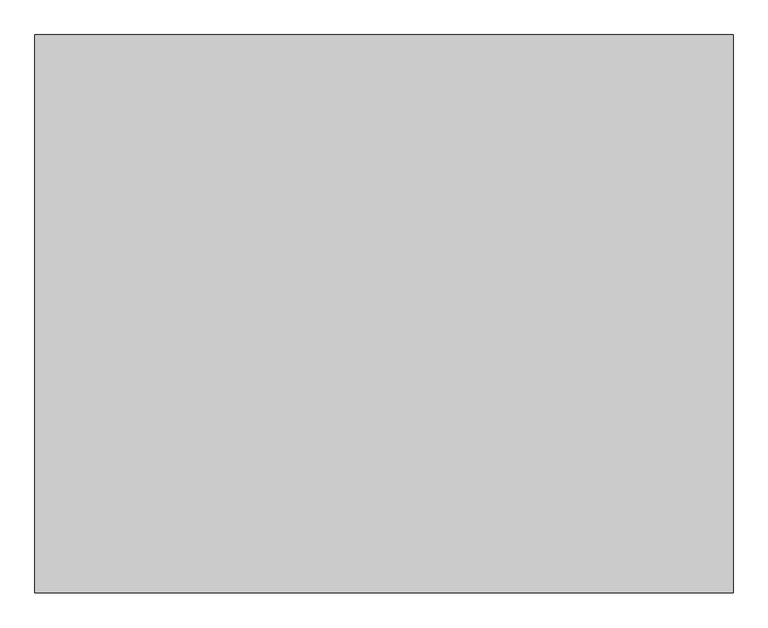
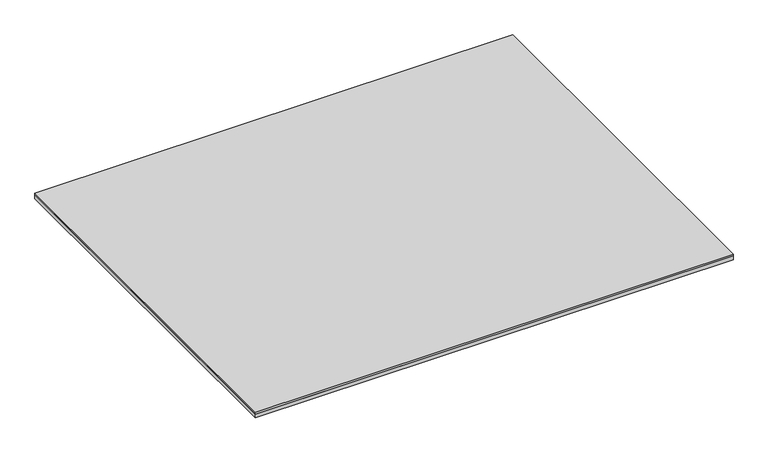
"""IFC4 building model written with IfcOpenShell, lengths in millimetres: proxy geometry."""

from ifc_helpers import new_model, si_unit, point, frame, frame_2d, origin, place, context, project, spatial, polyline, circle_curve, trimmed, segment, composite_curve, outline, extrude, source, transform, mapped, element, save


def specialty_equipment_58ca5791(model_context):
    return source(origin(), model_context, "Body", "SweptSolid", [
        extrude(outline(composite_curve([segment(polyline([(342.3000259, 5.07229), (340.7415543, 3.5138184), (333.5878259, 3.5138184)]), True, "CONTINUOUS"), segment(trimmed(circle_curve(frame_2d((333.5878259, 2.7010184)), 0.8128), [point((333.5878259, 3.5138184))], [point((332.7750259, 2.7010184))], True, "CARTESIAN"), True, "CONTINUOUS"), segment(polyline([(332.7750259, 2.7010184), (332.7750259, 0.0), (310.5500259, 0.0)]), True, "CONTINUOUS"), segment(trimmed(circle_curve(frame_2d((314.0638443, 0.0)), 3.5138184), [point((310.5500259, 0.0))], [point((314.0638443, 3.5138184))], False, "CARTESIAN"), True, "CONTINUOUS"), segment(polyline([(314.0638443, 3.5138184), (326.7421996, 3.5138184)]), True, "CONTINUOUS"), segment(trimmed(circle_curve(frame_2d((326.7421996, 4.3520184)), 0.8382), [point((326.7421996, 3.5138184))], [point((327.5803996, 4.3520184))], True, "CARTESIAN"), True, "CONTINUOUS"), segment(polyline([(327.5803996, 4.3520184), (327.5803996, 6.0198)]), True, "CONTINUOUS"), segment(trimmed(circle_curve(frame_2d((328.4185996, 6.0198)), 0.8382), [point((327.5803996, 6.0198))], [point((328.4185996, 6.858))], False, "CARTESIAN"), True, "CONTINUOUS"), segment(polyline([(328.4185996, 6.858), (342.3000259, 6.858), (342.3000259, 5.07229)]), True, "CONTINUOUS")], self_intersect=False)), frame((-711.2, 0.0, 0.0), z_axis=(1.0, 0.0, 0.0), x_axis=(0.0, 1.0, 0.0)), (0.0, 0.0, 1.0), 1422.4),
        extrude(outline(composite_curve([segment(polyline([(342.3000259, 6.858), (418.5000259, 6.858)]), True, "CONTINUOUS"), segment(trimmed(circle_curve(frame_2d((415.0710259, 6.858)), 3.429), [point((418.5000259, 6.858))], [point((415.0710259, 3.429))], False, "CARTESIAN"), True, "CONTINUOUS"), segment(polyline([(415.0710259, 3.429), (349.4628259, 3.429)]), True, "CONTINUOUS"), segment(trimmed(circle_curve(frame_2d((349.4628259, 2.6162)), 0.8128), [point((349.4628259, 3.429))], [point((348.6500259, 2.6162))], True, "CARTESIAN"), True, "CONTINUOUS"), segment(polyline([(348.6500259, 2.6162), (348.6500259, 0.0), (332.7750259, 0.0), (332.7750259, 0.8639404), (335.3400855, 3.429), (342.3000259, 3.429), (342.3000259, 6.858)]), True, "CONTINUOUS")], self_intersect=False)), frame((-711.2, 0.0, 0.0), z_axis=(1.0, 0.0, 0.0), x_axis=(0.0, 1.0, 0.0)), (0.0, 0.0, 1.0), 1422.4),
        extrude(outline(composite_curve([segment(polyline([(-377.2250259, 5.07229), (-378.7834976, 3.5138184), (-385.9372259, 3.5138184)]), True, "CONTINUOUS"), segment(trimmed(circle_curve(frame_2d((-385.9372259, 2.7010184)), 0.8128), [point((-385.9372259, 3.5138184))], [point((-386.7500259, 2.7010184))], True, "CARTESIAN"), True, "CONTINUOUS"), segment(polyline([(-386.7500259, 2.7010184), (-386.7500259, 0.0), (-408.9750259, 0.0)]), True, "CONTINUOUS"), segment(trimmed(circle_curve(frame_2d((-405.4612076, 0.0)), 3.5138184), [point((-408.9750259, 0.0))], [point((-405.4612076, 3.5138184))], False, "CARTESIAN"), True, "CONTINUOUS"), segment(polyline([(-405.4612076, 3.5138184), (-392.7828523, 3.5138184)]), True, "CONTINUOUS"), segment(trimmed(circle_curve(frame_2d((-392.7828523, 4.3520184)), 0.8382), [point((-392.7828523, 3.5138184))], [point((-391.9446523, 4.3520184))], True, "CARTESIAN"), True, "CONTINUOUS"), segment(polyline([(-391.9446523, 4.3520184), (-391.9446523, 6.0198)]), True, "CONTINUOUS"), segment(trimmed(circle_curve(frame_2d((-391.1064523, 6.0198)), 0.8382), [point((-391.9446523, 6.0198))], [point((-391.1064523, 6.858))], False, "CARTESIAN"), True, "CONTINUOUS"), segment(polyline([(-391.1064523, 6.858), (-377.2250259, 6.858), (-377.2250259, 5.07229)]), True, "CONTINUOUS")], self_intersect=False)), frame((-711.2, 0.0, 0.0), z_axis=(1.0, 0.0, 0.0), x_axis=(0.0, 1.0, 0.0)), (0.0, 0.0, 1.0), 1422.4),
        extrude(outline(composite_curve([segment(polyline([(-377.2250259, 6.858), (-301.0250259, 6.858)]), True, "CONTINUOUS"), segment(trimmed(circle_curve(frame_2d((-304.4540259, 6.858)), 3.429), [point((-301.0250259, 6.858))], [point((-304.4540259, 3.429))], False, "CARTESIAN"), True, "CONTINUOUS"), segment(polyline([(-304.4540259, 3.429), (-370.0622259, 3.429)]), True, "CONTINUOUS"), segment(trimmed(circle_curve(frame_2d((-370.0622259, 2.6162)), 0.8128), [point((-370.0622259, 3.429))], [point((-370.8750259, 2.6162))], True, "CARTESIAN"), True, "CONTINUOUS"), segment(polyline([(-370.8750259, 2.6162), (-370.8750259, 0.0), (-386.7500259, 0.0), (-386.7500259, 0.8639404), (-384.1849664, 3.429), (-377.2250259, 3.429), (-377.2250259, 6.858)]), True, "CONTINUOUS")], self_intersect=False)), frame((-711.2, 0.0, 0.0), z_axis=(1.0, 0.0, 0.0), x_axis=(0.0, 1.0, 0.0)), (0.0, 0.0, 1.0), 1422.4),
        extrude(outline(polyline([(762.0, -609.6), (-762.0, -609.6), (-762.0, 609.6), (762.0, 609.6), (762.0, -609.6)])), frame((0.0, 0.0, 19.5460938), z_axis=(0.0, 0.0, 1.0), x_axis=(1.0, 0.0, 0.0)), (0.0, 0.0, 1.0), 6.35),
        extrude(outline(polyline([(762.0, 609.6), (762.0, -609.6), (-762.0, -609.6), (-762.0, 609.6), (762.0, 609.6)])), frame((0.0, 0.0, 6.8460937), z_axis=(0.0, 0.0, 1.0), x_axis=(1.0, 0.0, 0.0)), (0.0, 0.0, 1.0), 12.7),
    ])


if __name__ == "__main__":
    model = new_model("IFC4")
    model_context = context("Model", 3, world=origin())
    ifc_project = project(units=[si_unit("LENGTHUNIT", "METRE", prefix="MILLI")], contexts=[model_context])
    site = spatial("IfcSite", under=ifc_project)
    building = spatial("IfcBuilding", under=site)
    placement = place(None, origin())
    specialty_equipment_shape = specialty_equipment_58ca5791(model_context)
    element("IfcBuildingElementProxy", 1, Name="Specialty Equipment", at=placement, inside=building, context=model_context, shape_type="MappedRepresentation", body=[
        mapped(specialty_equipment_shape, transform((0.0, 0.0, 0.0), x_axis=(1.0, 0.0, 0.0), y_axis=(0.0, 1.0, 0.0), z_axis=(0.0, 0.0, 1.0))),
    ])
    save(model, "model.ifc")
